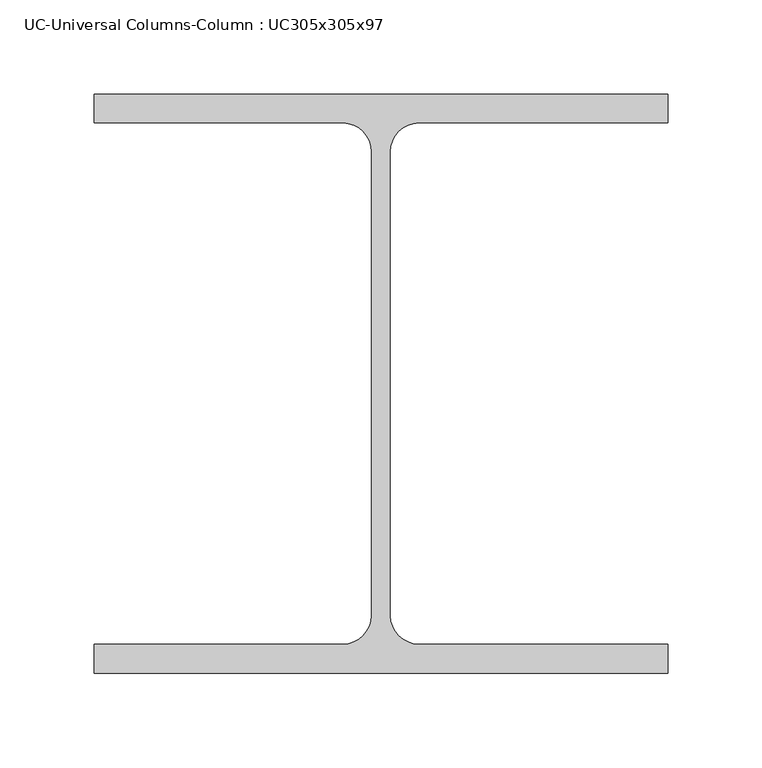
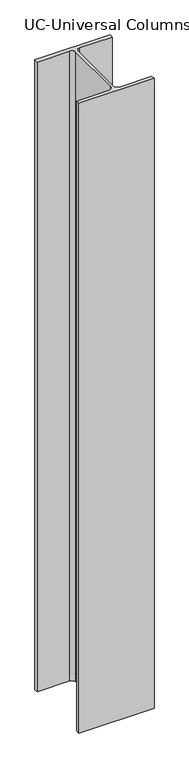
"""IFC4 building model written with IfcOpenShell, lengths in millimetres: column geometry, UC-Universal Columns-Column : UC305x305x97."""

from ifc_helpers import new_model, si_unit, point, frame, frame_2d, origin, place, context, project, spatial, polyline, circle_curve, trimmed, segment, composite_curve, outline, extrude, source, transform, mapped, element, save


def uc_universal_columns_column_uc305x305x97_2bd3bab3(model_context):
    return source(origin(), model_context, "Body", "SweptSolid", [
        extrude(outline(composite_curve([segment(polyline([(152.65, 153.95), (152.65, 138.55), (20.15, 138.55)]), True, "CONTINUOUS"), segment(trimmed(circle_curve(frame_2d((20.15, 123.35)), 15.2), [point((20.15, 138.55))], [point((4.95, 123.35))], True, "CARTESIAN"), True, "CONTINUOUS"), segment(polyline([(4.95, 123.35), (4.95, -123.35)]), True, "CONTINUOUS"), segment(trimmed(circle_curve(frame_2d((20.15, -123.35)), 15.2), [point((4.95, -123.35))], [point((20.15, -138.55))], True, "CARTESIAN"), True, "CONTINUOUS"), segment(polyline([(20.15, -138.55), (152.65, -138.55), (152.65, -153.95), (-152.65, -153.95), (-152.65, -138.55), (-20.15, -138.55)]), True, "CONTINUOUS"), segment(trimmed(circle_curve(frame_2d((-20.15, -123.35)), 15.2), [point((-20.15, -138.55))], [point((-4.95, -123.35))], True, "CARTESIAN"), True, "CONTINUOUS"), segment(polyline([(-4.95, -123.35), (-4.95, 123.35)]), True, "CONTINUOUS"), segment(trimmed(circle_curve(frame_2d((-20.15, 123.35)), 15.2), [point((-4.95, 123.35))], [point((-20.15, 138.55))], True, "CARTESIAN"), True, "CONTINUOUS"), segment(polyline([(-20.15, 138.55), (-152.65, 138.55), (-152.65, 153.95), (152.65, 153.95)]), True, "CONTINUOUS")], self_intersect=False)), frame((0.0, 0.0, 8000.0), z_axis=(0.0, 0.0, 1.0), x_axis=(1.0, 0.0, 0.0)), (0.0, 0.0, 1.0), 2700.0),
    ])


if __name__ == "__main__":
    model = new_model("IFC4")
    model_context = context("Model", 3, world=origin())
    ifc_project = project(units=[si_unit("LENGTHUNIT", "METRE", prefix="MILLI")], contexts=[model_context])
    site = spatial("IfcSite", under=ifc_project)
    building = spatial("IfcBuilding", under=site)
    placement = place(None, origin())
    uc_universal_columns_column_uc305x305x97_shape = uc_universal_columns_column_uc305x305x97_2bd3bab3(model_context)
    element("IfcColumn", 1, ObjectType="UC-Universal Columns-Column : UC305x305x97", at=placement, inside=building, context=model_context, shape_type="MappedRepresentation", body=[
        mapped(uc_universal_columns_column_uc305x305x97_shape, transform((0.0, 0.0, 0.0), x_axis=(1.0, 0.0, 0.0), y_axis=(0.0, 1.0, 0.0), z_axis=(0.0, 0.0, 1.0))),
    ])
    save(model, "model.ifc")
